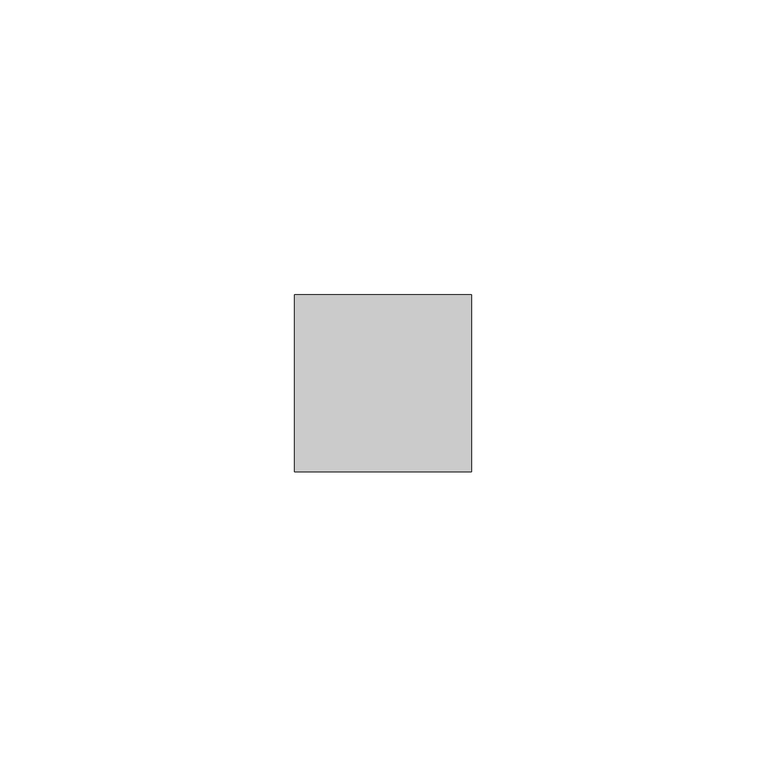
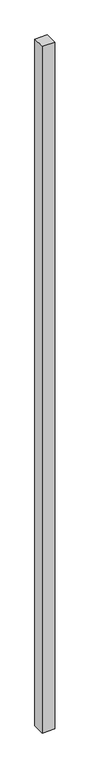
"""IFC4 building model written with IfcOpenShell, lengths in millimetres: member geometry."""

from ifc_helpers import new_model, si_unit, frame, origin, place, context, project, spatial, polyline, outline, extrude, source, transform, mapped, element, save


def member_38e62816(model_context):
    return source(origin(), model_context, "Body", "SweptSolid", [
        extrude(outline(polyline([(15.0, 15.0), (15.0, -15.0), (-15.0, -15.0), (-15.0, 15.0), (15.0, 15.0)])), frame((0.0, 0.0, -1740.0), z_axis=(0.0, 0.0, 1.0), x_axis=(1.0, 0.0, 0.0)), (0.0, 0.0, 1.0), 1740.0),
    ])


if __name__ == "__main__":
    model = new_model("IFC4")
    model_context = context("Model", 3, world=origin())
    ifc_project = project(units=[si_unit("LENGTHUNIT", "METRE", prefix="MILLI")], contexts=[model_context])
    site = spatial("IfcSite", under=ifc_project)
    building = spatial("IfcBuilding", under=site)
    placement = place(None, origin())
    member_shape = member_38e62816(model_context)
    element("IfcMember", 1, at=placement, inside=building, context=model_context, shape_type="MappedRepresentation", body=[
        mapped(member_shape, transform((0.0, 0.0, 0.0), x_axis=(1.0, 0.0, 0.0), y_axis=(0.0, 1.0, 0.0), z_axis=(0.0, 0.0, 1.0))),
    ])
    save(model, "model.ifc")
